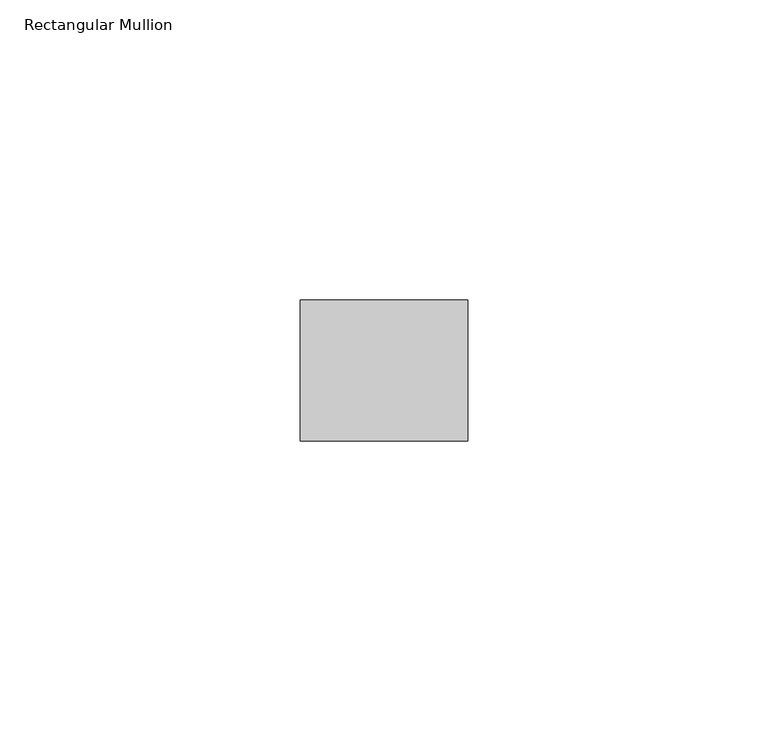
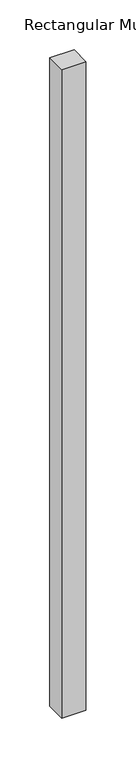
"""IFC4 building model written with IfcOpenShell, lengths in millimetres: member geometry, Rectangular Mullion."""

from ifc_helpers import new_model, si_unit, frame, origin, place, context, project, spatial, polyline, outline, extrude, source, transform, mapped, element, save


def rectangular_mullion_9ca59294(model_context):
    return source(origin(), model_context, "Body", "SweptSolid", [
        extrude(outline(polyline([(0.0, -11.7474999), (-27.94, -11.7474999), (-27.94, 11.7474999), (0.0, 11.7474999), (0.0, -11.7474999)])), frame((0.0, 0.0, -793.75), z_axis=(0.0, 0.0, 1.0), x_axis=(1.0, 0.0, 0.0)), (0.0, 0.0, 1.0), 793.75),
    ])


if __name__ == "__main__":
    model = new_model("IFC4")
    model_context = context("Model", 3, world=origin())
    ifc_project = project(units=[si_unit("LENGTHUNIT", "METRE", prefix="MILLI")], contexts=[model_context])
    site = spatial("IfcSite", under=ifc_project)
    building = spatial("IfcBuilding", under=site)
    placement = place(None, origin())
    rectangular_mullion_shape = rectangular_mullion_9ca59294(model_context)
    element("IfcMember", 1, ObjectType="Rectangular Mullion", at=placement, inside=building, context=model_context, shape_type="MappedRepresentation", body=[
        mapped(rectangular_mullion_shape, transform((0.0, 0.0, 0.0), x_axis=(1.0, 0.0, 0.0), y_axis=(0.0, 1.0, 0.0), z_axis=(0.0, 0.0, 1.0))),
    ])
    save(model, "model.ifc")
